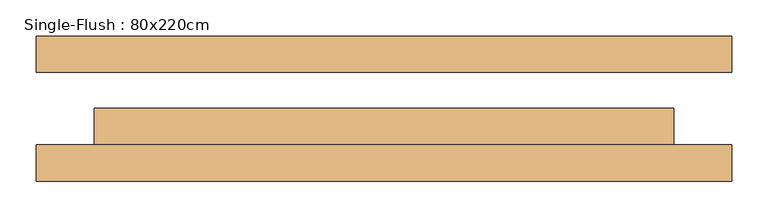
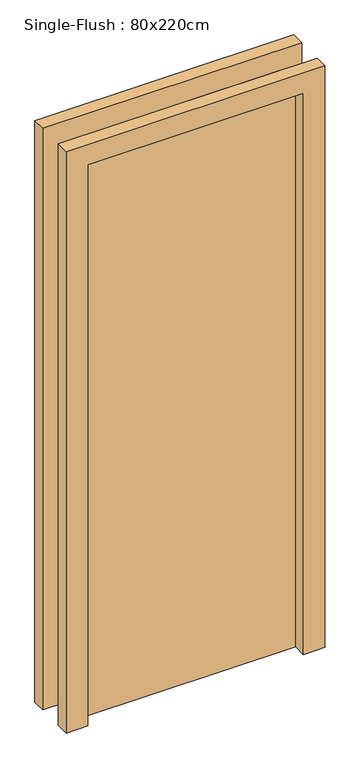
"""IFC4 building model written with IfcOpenShell, lengths in millimetres: door geometry, Single-Flush : 80x220cm."""

from ifc_helpers import new_model, si_unit, frame, origin, origin_with_axes, place, context, project, spatial, polyline, outline, extrude, source, transform, mapped, element, save


def single_flush_80x220cm_0f617d49(model_context):
    return source(origin(), model_context, "Body", "SweptSolid", [
        extrude(outline(polyline([(2280.0, -480.0), (0.0, -480.0), (0.0, -400.0), (2200.0, -400.0), (2200.0, 400.0), (0.0, 400.0), (0.0, 480.0), (2280.0, 480.0), (2280.0, -480.0)])), frame((0.0, -100.0, 0.0), z_axis=(0.0, 1.0, 0.0), x_axis=(0.0, 0.0, 1.0)), (0.0, 0.0, 1.0), 50.0),
        extrude(outline(polyline([(2280.0, 480.0), (2280.0, -480.0), (0.0, -480.0), (0.0, -400.0), (2200.0, -400.0), (2200.0, 400.0), (0.0, 400.0), (0.0, 480.0), (2280.0, 480.0)])), frame((0.0, 50.0, 0.0), z_axis=(0.0, 1.0, 0.0), x_axis=(0.0, 0.0, 1.0)), (0.0, 0.0, 1.0), 50.0),
        extrude(outline(polyline([(400.0, 0.8), (400.0, -50.0), (-400.0, -50.0), (-400.0, 0.8), (400.0, 0.8)])), origin_with_axes(), (0.0, 0.0, 1.0), 2200.0),
    ])


if __name__ == "__main__":
    model = new_model("IFC4")
    model_context = context("Model", 3, world=origin())
    ifc_project = project(units=[si_unit("LENGTHUNIT", "METRE", prefix="MILLI")], contexts=[model_context])
    site = spatial("IfcSite", under=ifc_project)
    building = spatial("IfcBuilding", under=site)
    placement = place(None, origin())
    single_flush_80x220cm_shape = single_flush_80x220cm_0f617d49(model_context)
    element("IfcDoor", 1, ObjectType="Single-Flush : 80x220cm", at=placement, inside=building, context=model_context, shape_type="MappedRepresentation", body=[
        mapped(single_flush_80x220cm_shape, transform((0.0, 0.0, 0.0), x_axis=(1.0, 0.0, 0.0), y_axis=(0.0, 1.0, 0.0), z_axis=(0.0, 0.0, 1.0))),
    ])
    save(model, "model.ifc")
